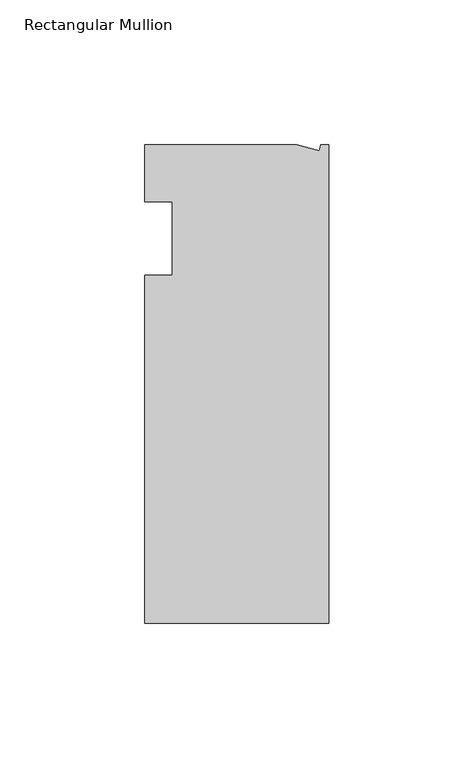
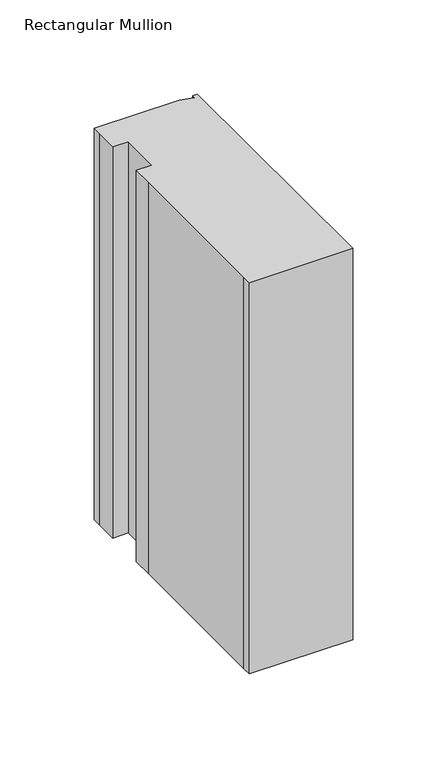
"""IFC4 building model written with IfcOpenShell, lengths in millimetres: member geometry, Rectangular Mullion."""

from ifc_helpers import new_model, si_unit, frame, origin, place, context, project, spatial, polyline, outline, extrude, source, transform, mapped, element, save


def rectangular_mullion_4fdc9df3(model_context):
    return source(origin(), model_context, "Body", "SweptSolid", [
        extrude(outline(polyline([(-11.1265412, 19.6597595), (-3.3457217, 17.5748952), (-2.787084, 19.6597595), (0.0, 19.6597595), (0.0, -145.4402405), (-63.5, -145.4402405), (-63.5, -139.0912246), (-63.5, -38.3358837), (-63.5, -25.4), (-53.975, -25.4), (-53.975, 0.0), (-63.5, 0.0), (-63.5, 13.6093403), (-63.5, 19.6597595), (-11.1265412, 19.6597595)])), frame((0.0, 0.0, -254.0), z_axis=(0.0, 0.0, 1.0), x_axis=(1.0, 0.0, 0.0)), (0.0, 0.0, 1.0), 254.0),
    ])


if __name__ == "__main__":
    model = new_model("IFC4")
    model_context = context("Model", 3, world=origin())
    ifc_project = project(units=[si_unit("LENGTHUNIT", "METRE", prefix="MILLI")], contexts=[model_context])
    site = spatial("IfcSite", under=ifc_project)
    building = spatial("IfcBuilding", under=site)
    placement = place(None, origin())
    rectangular_mullion_shape = rectangular_mullion_4fdc9df3(model_context)
    element("IfcMember", 1, ObjectType="Rectangular Mullion", at=placement, inside=building, context=model_context, shape_type="MappedRepresentation", body=[
        mapped(rectangular_mullion_shape, transform((0.0, 0.0, 0.0), x_axis=(1.0, 0.0, 0.0), y_axis=(0.0, 1.0, 0.0), z_axis=(0.0, 0.0, 1.0))),
    ])
    save(model, "model.ifc")
